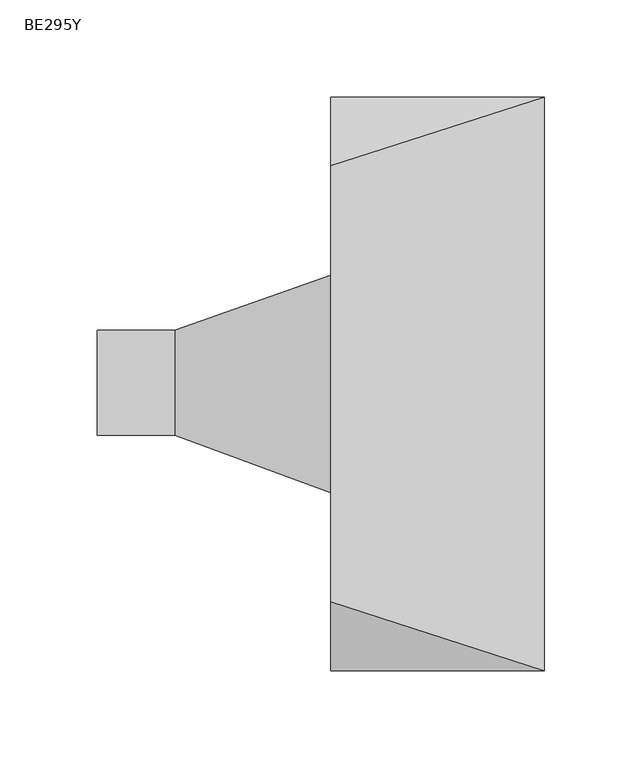
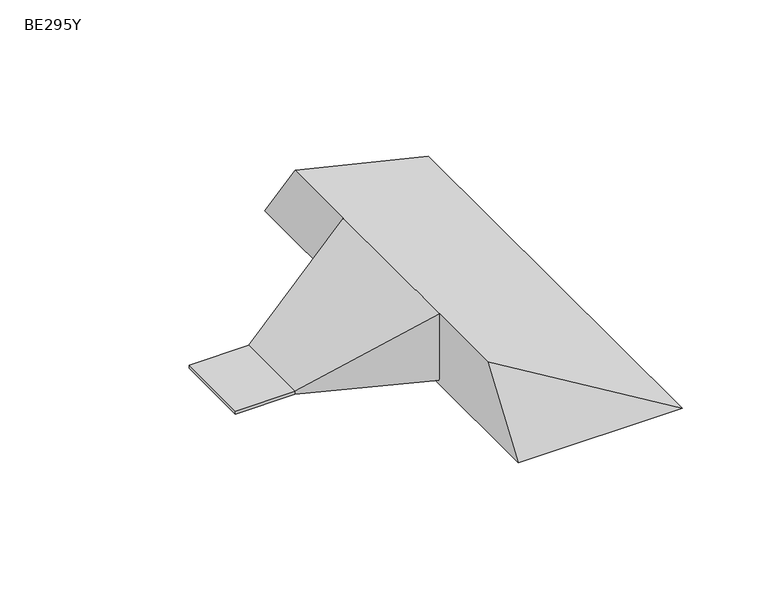
"""IFC4 building model written with IfcOpenShell, lengths in millimetres: proxy geometry, BE295Y."""

from ifc_helpers import new_model, si_unit, frame, origin, place, context, project, spatial, polyline, outline, extrude, faceted_brep, source, transform, mapped, element, save


def be295y_8aa853e8(model_context):
    return source(origin(), model_context, "Body", "SolidModel", [
        extrude(outline(polyline([(-80.0, -26.3376741), (-120.0, -26.3376741), (-120.0, 27.5213222), (-80.0, 27.5213222), (-80.0, -26.3376741)])), frame((0.0, 0.0, 3.0), z_axis=(0.0, 0.0, 1.0), x_axis=(1.0, 0.0, 0.0)), (0.0, 0.0, 1.0), 2.0),
        faceted_brep([(0.0, 147.5, 0.0), (110.0, 147.5, 0.0), (110.0, -147.5, 0.0), (0.0, -147.5, 0.0), (0.0, -112.122687, 50.0), (0.0, -55.9603611, 50.0), (0.0, -55.9603611, 3.0), (0.0, 55.918544, 3.0), (0.0, 55.918544, 50.0), (0.0, 112.1720823, 50.0), (-80.0, -26.3376741, 3.0), (-80.0, 27.5213222, 3.0), (-80.0, -26.3376741, 5.0), (-80.0, 27.5213222, 5.0)], [[[0, 1, 2, 3]], [[3, 4, 5, 6, 7, 8, 9, 0]], [[1, 9, 8, 5, 4, 2]], [[0, 9, 1]], [[2, 4, 3]], [[7, 6, 10, 11]], [[6, 5, 12, 10]], [[10, 12, 13, 11]], [[11, 13, 8, 7]], [[5, 8, 13, 12]]]),
    ])


if __name__ == "__main__":
    model = new_model("IFC4")
    model_context = context("Model", 3, world=origin())
    ifc_project = project(units=[si_unit("LENGTHUNIT", "METRE", prefix="MILLI")], contexts=[model_context])
    site = spatial("IfcSite", under=ifc_project)
    building = spatial("IfcBuilding", under=site)
    placement = place(None, origin())
    be295y_shape = be295y_8aa853e8(model_context)
    element("IfcBuildingElementProxy", 1, Name="BE295Y", ObjectType="BE295Y", at=placement, inside=building, context=model_context, shape_type="MappedRepresentation", body=[
        mapped(be295y_shape, transform((0.0, 0.0, 0.0), x_axis=(1.0, 0.0, 0.0), y_axis=(0.0, 1.0, 0.0), z_axis=(0.0, 0.0, 1.0))),
    ])
    save(model, "model.ifc")
